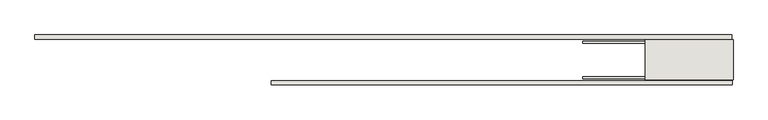
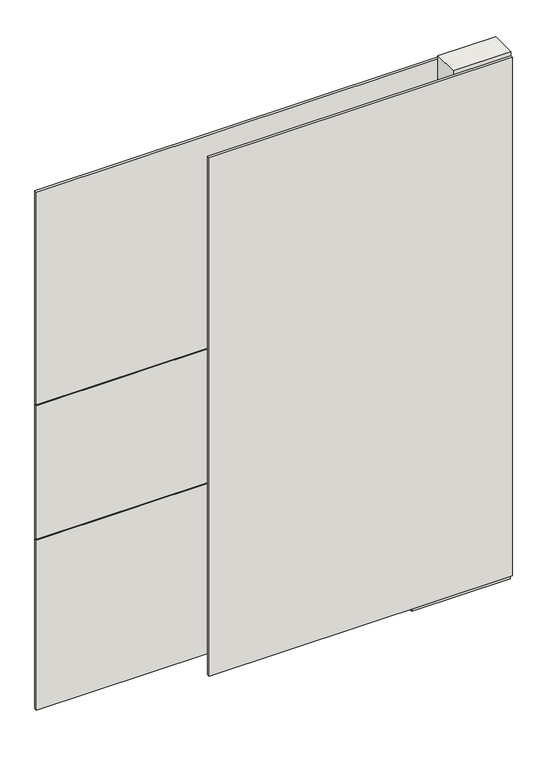
"""IFC4 building model written with IfcOpenShell, lengths in millimetres: wall geometry."""

from ifc_helpers import new_model, si_unit, frame, origin, place, context, project, spatial, polyline, outline, extrude, source, transform, mapped, element, save


def wall_9c53b097(model_context):
    return source(origin(), model_context, "Body", "SweptSolid", [
        extrude(outline(polyline([(53284.4015336, -39389.1845692), (53286.9415336, -39389.1845692), (53286.9415336, -39391.7245692), (53284.4015336, -39391.7245692), (53284.4015336, -39389.1845692)])), frame((0.0, 0.0, 4419.6), z_axis=(0.0, 0.0, 1.0), x_axis=(1.0, 0.0, 0.0)), (0.0, 0.0, 1.0), 2.54),
        extrude(outline(polyline([(53284.9427822, -39466.6545692), (51876.0677742, -39466.6545692), (51876.0677742, -39453.9545692), (53284.9427822, -39453.9545692), (53284.9427822, -39466.6545692)])), frame((0.0, 0.0, 4445.0), z_axis=(0.0, 0.0, 1.0), x_axis=(1.0, 0.0, 0.0)), (0.0, 0.0, 1.0), 2545.0498756),
        extrude(outline(polyline([(51153.403916, -39314.2545692), (53282.4788044, -39314.2545692), (53282.4788044, -39326.9545692), (51153.403916, -39326.9545692), (51153.403916, -39314.2545692)])), frame((0.0, 0.0, 5945.6000722), z_axis=(0.0, 0.0, 1.0), x_axis=(1.0, 0.0, 0.0)), (0.0, 0.0, 1.0), 1044.449905),
        extrude(outline(polyline([(51153.403916, -39314.2545692), (53282.4788044, -39314.2545692), (53282.4788044, -39326.9545692), (51153.403916, -39326.9545692), (51153.403916, -39314.2545692)])), frame((0.0, 0.0, 5285.1999706), z_axis=(0.0, 0.0, 1.0), x_axis=(1.0, 0.0, 0.0)), (0.0, 0.0, 1.0), 656.4000588),
        extrude(outline(polyline([(51153.403916, -39314.2545692), (53282.4788044, -39314.2545692), (53282.4788044, -39326.9545692), (51153.403916, -39326.9545692), (51153.403916, -39314.2545692)])), frame((0.0, 0.0, 4445.0), z_axis=(0.0, 0.0, 1.0), x_axis=(1.0, 0.0, 0.0)), (0.0, 0.0, 1.0), 836.200004),
        extrude(outline(polyline([(52828.1676734, -39442.1351364), (53286.9365806, -39442.1351364), (53286.9365806, -39447.2169906), (52828.1676734, -39447.2169906), (52828.1676734, -39442.1351364)])), frame((0.0, 0.0, 4418.6602), z_axis=(0.0, 0.0, 1.0), x_axis=(1.0, 0.0, 0.0)), (0.0, 0.0, 1.0), 47.625),
        extrude(outline(polyline([(52828.1676734, -39442.1351364), (53286.9365806, -39442.1351364), (53286.9365806, -39447.2169906), (52828.1676734, -39447.2169906), (52828.1676734, -39442.1351364)])), frame((0.0, 0.0, 4418.6602), z_axis=(0.0, 0.0, 1.0), x_axis=(1.0, 0.0, 0.0)), (0.0, 0.0, 1.0), 47.625),
        extrude(outline(polyline([(53286.9365806, -39338.758508), (52828.1676734, -39338.758508), (52828.1676734, -39333.6766284), (53286.9365806, -39333.6766284), (53286.9365806, -39338.758508)])), frame((0.0, 0.0, 4418.6602), z_axis=(0.0, 0.0, 1.0), x_axis=(1.0, 0.0, 0.0)), (0.0, 0.0, 1.0), 47.625),
        extrude(outline(polyline([(53286.9365806, -39338.758508), (52828.1676734, -39338.758508), (52828.1676734, -39333.6766284), (53286.9365806, -39333.6766284), (53286.9365806, -39338.758508)])), frame((0.0, 0.0, 4418.6602), z_axis=(0.0, 0.0, 1.0), x_axis=(1.0, 0.0, 0.0)), (0.0, 0.0, 1.0), 47.625),
        extrude(outline(polyline([(53018.6676734, -39451.4058824), (53018.6676734, -39329.4877366), (53286.9365806, -39329.4877366), (53286.9365806, -39451.4058824), (53018.6676734, -39451.4058824)])), frame((0.0, 0.0, 4445.0), z_axis=(0.0, 0.0, 1.0), x_axis=(1.0, 0.0, 0.0)), (0.0, 0.0, 1.0), 2562.4536762),
    ])


if __name__ == "__main__":
    model = new_model("IFC4")
    model_context = context("Model", 3, world=origin())
    ifc_project = project(units=[si_unit("LENGTHUNIT", "METRE", prefix="MILLI")], contexts=[model_context])
    site = spatial("IfcSite", under=ifc_project)
    building = spatial("IfcBuilding", under=site)
    placement = place(None, origin())
    wall_shape = wall_9c53b097(model_context)
    element("IfcWall", 1, at=placement, inside=building, context=model_context, shape_type="MappedRepresentation", body=[
        mapped(wall_shape, transform((0.0, 0.0, 0.0), x_axis=(1.0, 0.0, 0.0), y_axis=(0.0, 1.0, 0.0), z_axis=(0.0, 0.0, 1.0))),
    ])
    save(model, "model.ifc")
